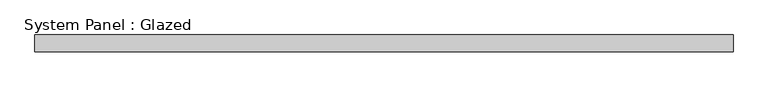
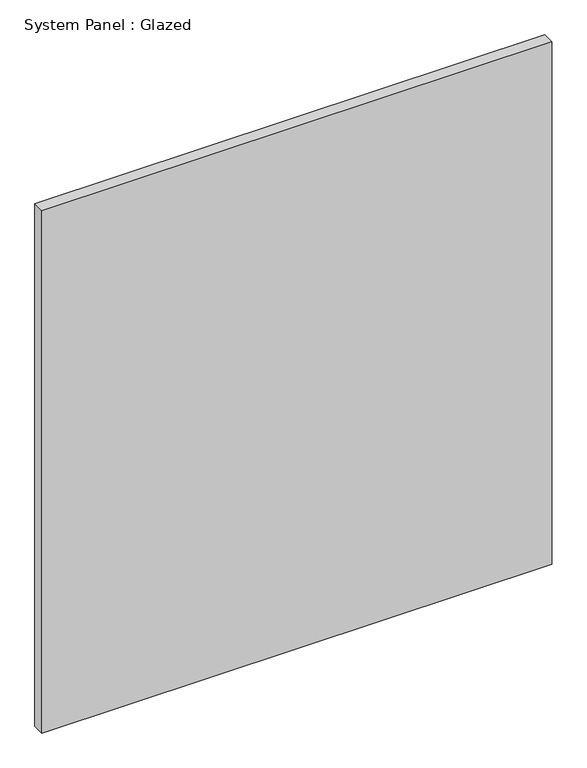
"""IFC4 building model written with IfcOpenShell, lengths in millimetres: plate geometry, System Panel : Glazed."""

from ifc_helpers import new_model, si_unit, origin, origin_with_axes, place, context, project, spatial, polyline, outline, extrude, source, transform, mapped, element, save


def system_panel_glazed_0b30f3c7(model_context):
    return source(origin(), model_context, "Body", "SweptSolid", [
        extrude(outline(polyline([(530.80746, -12.7), (-530.80746, -12.7), (-530.80746, 12.7), (530.80746, 12.7), (530.80746, -12.7)])), origin_with_axes(), (0.0, 0.0, 1.0), 1149.35),
    ])


if __name__ == "__main__":
    model = new_model("IFC4")
    model_context = context("Model", 3, world=origin())
    ifc_project = project(units=[si_unit("LENGTHUNIT", "METRE", prefix="MILLI")], contexts=[model_context])
    site = spatial("IfcSite", under=ifc_project)
    building = spatial("IfcBuilding", under=site)
    placement = place(None, origin())
    system_panel_glazed_shape = system_panel_glazed_0b30f3c7(model_context)
    element("IfcPlate", 1, ObjectType="System Panel : Glazed", at=placement, inside=building, context=model_context, shape_type="MappedRepresentation", body=[
        mapped(system_panel_glazed_shape, transform((0.0, 0.0, 0.0), x_axis=(1.0, 0.0, 0.0), y_axis=(0.0, 1.0, 0.0), z_axis=(0.0, 0.0, 1.0))),
    ])
    save(model, "model.ifc")
